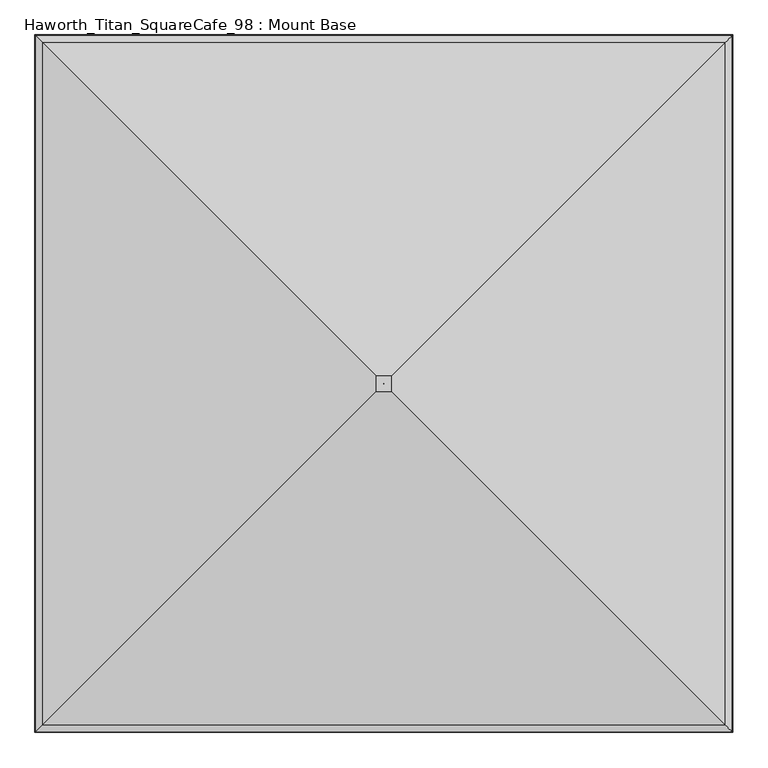
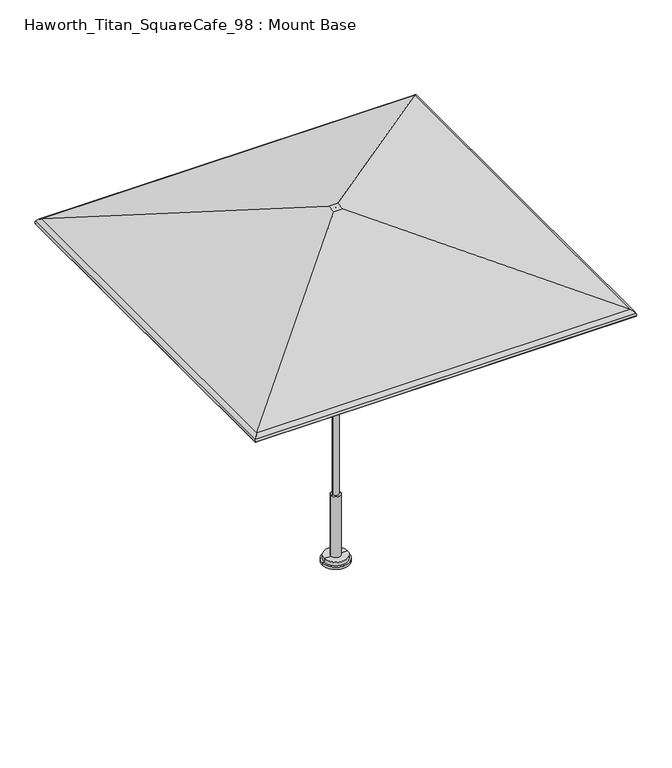
"""IFC4 building model written with IfcOpenShell, lengths in millimetres: furniture geometry, Haworth_Titan_SquareCafe_98 : Mount Base."""

from ifc_helpers import new_model, si_unit, frame, origin, place, context, project, spatial, polyline, circle_curve, ellipse_curve, source, transform, mapped, element, save
from ifc_brep_helpers import plane_surface, cylinder_surface, revolved_surface, advanced_brep


def haworth_titan_squarecafe_98_mount_base_bec93629(model_context):
    return source(origin(), model_context, "Body", "AdvancedBrep", [
        advanced_brep(
        [(1223.4008004, -1227.8003535, 2056.1384861), (29.1271987, -33.5267518, 2448.9851097), (-29.1271987, -33.5267518, 2448.9851097), (-1223.4008004, -1227.8003535, 2056.1384861), (1247.9240129, -1252.323566, 2036.3991387), (-1247.9240129, -1252.323566, 2036.3991387), (1250.4423911, -1254.8419442, 2016.9581742), (-1250.4423911, -1254.8419442, 2016.9581742), (1246.050839, -1250.4503921, 2018.201129), (-1246.050839, -1250.4503921, 2018.201129), (1243.9941233, -1248.3936765, 2034.0782262), (-1243.9941233, -1248.3936765, 2034.0782262), (1221.9738888, -1226.3734419, 2051.8032133), (-1221.9738888, -1226.3734419, 2051.8032133), (28.3958193, -32.7953724, 2444.4210472), (-28.3958193, -32.7953724, 2444.4210472), (0.1068966, -4.5064497, 2448.9851097), (0.1068966, -4.5064497, 2444.4210472), (-0.1068966, -4.5064497, 2444.4210472), (-0.1068966, -4.5064497, 2448.9851097), (-29.1271987, 25.4668702, 2448.9851097), (-1223.4008004, 1219.740472, 2056.1384861), (-1247.9240129, 1244.2636844, 2036.3991387), (-1250.4423911, 1246.7820627, 2016.9581742), (-1246.050839, 1242.3905106, 2018.201129), (-1243.9941233, 1240.3337949, 2034.0782262), (-1221.9738888, 1218.3135603, 2051.8032133), (-28.3958193, 24.7354908, 2444.4210472), (-0.1068966, -3.5534318, 2444.4210472), (-0.1068966, -3.5534318, 2448.9851097), (29.1271987, 25.4668702, 2448.9851097), (1223.4008004, 1219.740472, 2056.1384861), (1247.9240129, 1244.2636844, 2036.3991387), (1250.4423911, 1246.7820627, 2016.9581742), (1246.050839, 1242.3905106, 2018.201129), (1243.9941233, 1240.3337949, 2034.0782262), (1221.9738888, 1218.3135603, 2051.8032133), (28.3958193, 24.7354908, 2444.4210472), (0.1068966, -3.5534318, 2444.4210472), (0.1068966, -3.5534318, 2448.9851097)],
        [
            (0, 1),
            (1, 2),
            (2, 3),
            (3, 0),
            (4, 0, ellipse_curve(frame((1209.4091708, -1213.8087239, 2013.6530594), z_axis=(-0.707106781186547, -0.7071067811865481, 0.0), x_axis=(0.707106781186548, -0.7071067811865471, 0.0)), 63.2578403, 44.7300479)),
            (3, 5, ellipse_curve(frame((-1209.4091708, -1213.8087239, 2013.6530594), z_axis=(0.7071067811865491, -0.7071067811865459, 0.0), x_axis=(0.7071067811865458, 0.7071067811865491, 0.0)), 63.2578403, 44.7300479)),
            (5, 4),
            (6, 4, ellipse_curve(frame((1226.48639, -1230.8859431, 2023.7385164), z_axis=(-0.707106781186547, -0.7071067811865481, 0.0), x_axis=(0.707106781186548, -0.7071067811865471, 0.0)), 35.2097438, 24.8970486)),
            (5, 7, ellipse_curve(frame((-1226.48639, -1230.8859431, 2023.7385164), z_axis=(0.7071067811865491, -0.7071067811865459, 0.0), x_axis=(0.7071067811865458, 0.7071067811865491, 0.0)), 35.2097438, 24.8970486)),
            (7, 6),
            (8, 6, ellipse_curve(frame((1248.2466151, -1252.6461682, 2017.5796516), z_axis=(-0.707106781186547, -0.7071067811865481, 0.0), x_axis=(0.707106781186548, -0.7071067811865471, 0.0)), 3.2272795, 2.2820312)),
            (7, 9, ellipse_curve(frame((-1248.2466151, -1252.6461682, 2017.5796516), z_axis=(0.7071067811865491, -0.7071067811865459, 0.0), x_axis=(0.7071067811865458, 0.7071067811865491, 0.0)), 3.2272795, 2.2820312)),
            (9, 8),
            (10, 8, ellipse_curve(frame((1226.48639, -1230.8859431, 2023.7385164), z_axis=(0.707106781186547, 0.7071067811865481, 0.0), x_axis=(-0.707106781186548, 0.7071067811865471, 0.0)), 28.7551847, 20.3329861)),
            (9, 11, ellipse_curve(frame((-1226.48639, -1230.8859431, 2023.7385164), z_axis=(-0.7071067811865491, 0.7071067811865459, 0.0), x_axis=(-0.7071067811865458, -0.7071067811865491, 0.0)), 28.7551847, 20.3329861)),
            (11, 10),
            (12, 10, ellipse_curve(frame((1209.4091708, -1213.8087239, 2013.6530594), z_axis=(0.707106781186547, 0.7071067811865481, 0.0), x_axis=(-0.707106781186548, 0.7071067811865471, 0.0)), 56.8032813, 40.1659854)),
            (11, 13, ellipse_curve(frame((-1209.4091708, -1213.8087239, 2013.6530594), z_axis=(-0.7071067811865491, 0.7071067811865459, 0.0), x_axis=(-0.7071067811865458, -0.7071067811865491, 0.0)), 56.8032813, 40.1659854)),
            (13, 12),
            (14, 12),
            (13, 15),
            (15, 14),
            (16, 17),
            (17, 18),
            (18, 19),
            (19, 16),
            (2, 20),
            (20, 21),
            (21, 3),
            (21, 22, ellipse_curve(frame((-1209.4091708, 1205.7488423, 2013.6530594), z_axis=(-0.7071067811865482, -0.7071067811865469, 0.0), x_axis=(0.707106781186547, -0.707106781186548, 0.0)), 63.2578403, 44.7300479)),
            (22, 5),
            (22, 23, ellipse_curve(frame((-1226.48639, 1222.8260616, 2023.7385164), z_axis=(-0.7071067811865482, -0.7071067811865469, 0.0), x_axis=(0.707106781186547, -0.707106781186548, 0.0)), 35.2097438, 24.8970486)),
            (23, 7),
            (23, 24, ellipse_curve(frame((-1248.2466151, 1244.5862866, 2017.5796516), z_axis=(-0.7071067811865482, -0.7071067811865469, 0.0), x_axis=(0.707106781186547, -0.707106781186548, 0.0)), 3.2272795, 2.2820312)),
            (24, 9),
            (24, 25, ellipse_curve(frame((-1226.48639, 1222.8260616, 2023.7385164), z_axis=(0.7071067811865482, 0.7071067811865469, 0.0), x_axis=(-0.707106781186547, 0.707106781186548, 0.0)), 28.7551847, 20.3329861)),
            (25, 11),
            (25, 26, ellipse_curve(frame((-1209.4091708, 1205.7488423, 2013.6530594), z_axis=(0.7071067811865482, 0.7071067811865469, 0.0), x_axis=(-0.707106781186547, 0.707106781186548, 0.0)), 56.8032813, 40.1659854)),
            (26, 13),
            (26, 27),
            (27, 15),
            (18, 28),
            (28, 29),
            (29, 19),
            (20, 30),
            (30, 31),
            (31, 21),
            (31, 32, ellipse_curve(frame((1209.4091708, 1205.7488423, 2013.6530594), z_axis=(-0.7071067811865458, 0.7071067811865492, 0.0), x_axis=(-0.7071067811865492, -0.7071067811865458, 0.0)), 63.2578403, 44.7300479)),
            (32, 22),
            (32, 33, ellipse_curve(frame((1226.48639, 1222.8260616, 2023.7385164), z_axis=(-0.7071067811865458, 0.7071067811865492, 0.0), x_axis=(-0.7071067811865492, -0.7071067811865458, 0.0)), 35.2097438, 24.8970486)),
            (33, 23),
            (33, 34, ellipse_curve(frame((1248.2466151, 1244.5862866, 2017.5796516), z_axis=(-0.7071067811865458, 0.7071067811865492, 0.0), x_axis=(-0.7071067811865492, -0.7071067811865458, 0.0)), 3.2272795, 2.2820312)),
            (34, 24),
            (34, 35, ellipse_curve(frame((1226.48639, 1222.8260616, 2023.7385164), z_axis=(0.7071067811865458, -0.7071067811865492, 0.0), x_axis=(0.7071067811865492, 0.7071067811865458, 0.0)), 28.7551847, 20.3329861)),
            (35, 25),
            (35, 36, ellipse_curve(frame((1209.4091708, 1205.7488423, 2013.6530594), z_axis=(0.7071067811865458, -0.7071067811865492, 0.0), x_axis=(0.7071067811865492, 0.7071067811865458, 0.0)), 56.8032813, 40.1659854)),
            (36, 26),
            (36, 37),
            (37, 27),
            (28, 38),
            (38, 39),
            (39, 29),
            (30, 1),
            (0, 31),
            (4, 32),
            (6, 33),
            (8, 34),
            (10, 35),
            (12, 36),
            (14, 37),
            (17, 38),
            (16, 39),
        ],
        [
            plane_surface(frame((29.1271987, -33.5267518, 2448.9851097), z_axis=(0.0, -0.3124708984398308, 0.9499273328145712), x_axis=(-1.0, 0.0, 0.0))),
            cylinder_surface(frame((1267.8016718, -1213.8087239, 2013.6530594), z_axis=(1.0, 0.0, 0.0), x_axis=(0.0, -1.0, 0.0)), 44.7300479),
            cylinder_surface(frame((1267.8016718, -1230.8859431, 2023.7385164), z_axis=(1.0, 0.0, 0.0), x_axis=(0.0, -1.0, 0.0)), 24.8970486),
            cylinder_surface(frame((1267.8016718, -1252.6461682, 2017.5796516), z_axis=(1.0, 0.0, 0.0), x_axis=(0.0, -1.0, 0.0)), 2.2820312),
            revolved_surface(polyline([(-1246.8193760956415, -1251.2189292, 2023.7385164), (1246.8193760956417, -1251.2189292, 2023.7385164)]), (1267.8016718, -1230.8859431, 2023.7385164), (-1.0, 0.0, 0.0)),
            revolved_surface(polyline([(-1249.5751562008768, -1253.9747092999999, 2013.6530594), (1249.575156200877, -1253.9747092999999, 2013.6530594)]), (1267.8016718, -1213.8087239, 2013.6530594), (-1.0, 0.0, 0.0)),
            plane_surface(frame((1221.9738888, -1226.3734419, 2051.8032133), z_axis=(0.0, 0.3124708984398308, -0.9499273328145712), x_axis=(-1.0, 0.0, 0.0))),
            plane_surface(frame((0.1068966, -4.5064497, 2444.4210472), z_axis=(-1.2662550629033169e-12, 1.0, 0.0), x_axis=(-1.0, -1.2662550629033169e-12, 0.0))),
            plane_surface(frame((-29.1271987, -33.5267518, 2448.9851097), z_axis=(-0.3124708984398277, 0.0, 0.9499273328145722), x_axis=(0.0, 1.0, 0.0))),
            cylinder_surface(frame((-1209.4091708, -1272.2012249, 2013.6530594), z_axis=(0.0, -1.0, 0.0), x_axis=(-1.0, 0.0, 0.0)), 44.7300479),
            cylinder_surface(frame((-1226.48639, -1272.2012249, 2023.7385164), z_axis=(0.0, -1.0, 0.0), x_axis=(-1.0, 0.0, 0.0)), 24.8970486),
            cylinder_surface(frame((-1248.2466151, -1272.2012249, 2017.5796516), z_axis=(0.0, -1.0, 0.0), x_axis=(-1.0, 0.0, 0.0)), 2.2820312),
            revolved_surface(polyline([(-1246.8193761, 1243.1590476956417, 2023.7385164), (-1246.8193761, -1251.2189291956417, 2023.7385164)]), (-1226.48639, -1272.2012249, 2023.7385164), (0.0, 1.0, 0.0)),
            revolved_surface(polyline([(-1249.5751562, 1245.9148277008771, 2013.6530594), (-1249.5751562, -1253.974709300877, 2013.6530594)]), (-1209.4091708, -1272.2012249, 2013.6530594), (0.0, 1.0, 0.0)),
            plane_surface(frame((-1221.9738888, -1226.3734419, 2051.8032133), z_axis=(0.3124708984398277, 0.0, -0.9499273328145722), x_axis=(0.0, 1.0, 0.0))),
            plane_surface(frame((-0.1068966, -4.5064497, 2444.4210472), z_axis=(1.0, 0.0, 0.0), x_axis=(0.0, 1.0, 0.0))),
            plane_surface(frame((-29.1271987, 25.4668702, 2448.9851097), z_axis=(0.0, 0.31247089843983084, 0.9499273328145712), x_axis=(1.0, 0.0, 0.0))),
            cylinder_surface(frame((-1267.8016718, 1205.7488423, 2013.6530594), z_axis=(-1.0, 0.0, 0.0), x_axis=(0.0, 1.0, 0.0)), 44.7300479),
            cylinder_surface(frame((-1267.8016718, 1222.8260616, 2023.7385164), z_axis=(-1.0, 0.0, 0.0), x_axis=(0.0, 1.0, 0.0)), 24.8970486),
            cylinder_surface(frame((-1267.8016718, 1244.5862866, 2017.5796516), z_axis=(-1.0, 0.0, 0.0), x_axis=(0.0, 1.0, 0.0)), 2.2820312),
            revolved_surface(polyline([(1246.819376095642, 1243.1590477, 2023.7385164), (-1246.8193760956417, 1243.1590477, 2023.7385164)]), (-1267.8016718, 1222.8260616, 2023.7385164), (1.0, 0.0, 0.0)),
            revolved_surface(polyline([(1249.5751562008772, 1245.9148277, 2013.6530594), (-1249.575156200877, 1245.9148277, 2013.6530594)]), (-1267.8016718, 1205.7488423, 2013.6530594), (1.0, 0.0, 0.0)),
            plane_surface(frame((-1221.9738888, 1218.3135603, 2051.8032133), z_axis=(0.0, -0.31247089843983084, -0.9499273328145712), x_axis=(1.0, 0.0, 0.0))),
            plane_surface(frame((-0.1068966, -3.5534318, 2444.4210472), z_axis=(-1.2662550628904897e-12, -1.0, 0.0), x_axis=(1.0, -1.2662550628904897e-12, 0.0))),
            plane_surface(frame((29.1271987, 25.4668702, 2448.9851097), z_axis=(0.312470898439834, 0.0, 0.9499273328145701), x_axis=(0.0, -1.0, 0.0))),
            cylinder_surface(frame((1209.4091708, 1264.1413433, 2013.6530594), z_axis=(0.0, 1.0, 0.0), x_axis=(1.0, 0.0, 0.0)), 44.7300479),
            cylinder_surface(frame((1226.48639, 1264.1413433, 2023.7385164), z_axis=(0.0, 1.0, 0.0), x_axis=(1.0, 0.0, 0.0)), 24.8970486),
            cylinder_surface(frame((1248.2466151, 1264.1413433, 2017.5796516), z_axis=(0.0, 1.0, 0.0), x_axis=(1.0, 0.0, 0.0)), 2.2820312),
            revolved_surface(polyline([(1246.8193761, -1251.2189291956413, 2023.7385164), (1246.8193761, 1243.1590476956417, 2023.7385164)]), (1226.48639, 1264.1413433, 2023.7385164), (0.0, -1.0, 0.0)),
            revolved_surface(polyline([(1249.5751562, -1253.974709300877, 2013.6530594), (1249.5751562, 1245.914827700877, 2013.6530594)]), (1209.4091708, 1264.1413433, 2013.6530594), (0.0, -1.0, 0.0)),
            plane_surface(frame((1221.9738888, 1218.3135603, 2051.8032133), z_axis=(-0.312470898439834, 0.0, -0.9499273328145701), x_axis=(0.0, -1.0, 0.0))),
            plane_surface(frame((28.3958193, 24.7354908, 2444.4210472), z_axis=(0.0, 0.0, -1.0), x_axis=(0.0, -1.0, 0.0))),
            plane_surface(frame((0.1068966, -3.5534318, 2444.4210472), z_axis=(-1.0, 0.0, 0.0), x_axis=(0.0, -1.0, 0.0))),
            plane_surface(frame((0.1068966, -3.5534318, 2448.9851097), z_axis=(0.0, 0.0, 1.0), x_axis=(0.0, -1.0, 0.0))),
        ],
        [
            (0, [[1, 2, 3, 4]]),
            (1, [[5, -4, 6, 7]]),
            (2, [[8, -7, 9, 10]]),
            (3, [[11, -10, 12, 13]]),
            (4, [[14, -13, 15, 16]]),
            (5, [[17, -16, 18, 19]]),
            (6, [[20, -19, 21, 22]]),
            (7, [[23, 24, 25, 26]]),
            (8, [[-3, 27, 28, 29]]),
            (9, [[-6, -29, 30, 31]]),
            (10, [[-9, -31, 32, 33]]),
            (11, [[-12, -33, 34, 35]]),
            (12, [[-15, -35, 36, 37]]),
            (13, [[-18, -37, 38, 39]]),
            (14, [[-21, -39, 40, 41]]),
            (15, [[-25, 42, 43, 44]]),
            (16, [[-28, 45, 46, 47]]),
            (17, [[-30, -47, 48, 49]]),
            (18, [[-32, -49, 50, 51]]),
            (19, [[-34, -51, 52, 53]]),
            (20, [[-36, -53, 54, 55]]),
            (21, [[-38, -55, 56, 57]]),
            (22, [[-40, -57, 58, 59]]),
            (23, [[-43, 60, 61, 62]]),
            (24, [[-46, 63, -1, 64]]),
            (25, [[-48, -64, -5, 65]]),
            (26, [[-50, -65, -8, 66]]),
            (27, [[-52, -66, -11, 67]]),
            (28, [[-54, -67, -14, 68]]),
            (29, [[-56, -68, -17, 69]]),
            (30, [[-58, -69, -20, 70]]),
            (31, [[-41, -59, -70, -22], [71, -60, -42, -24]]),
            (32, [[-61, -71, -23, 72]]),
            (33, [[-63, -45, -27, -2], [-44, -62, -72, -26]]),
        ],
    ),
        advanced_brep(
        [(-88.9, -4.0299408, 15.8750008), (88.9, -4.0299408, 15.8750008), (88.9, -4.0299408, 0.0), (-88.9, -4.0299408, 0.0), (-76.2, -4.0299408, 15.8750008), (76.2, -4.0299408, 15.8750008), (-76.2, -4.0299408, 41.2750008), (76.2, -4.0299408, 41.2750008), (0.0, -4.0299408, 41.2750008), (0.0, -4.0299408, 0.0)],
        [
            (0, 1, circle_curve(frame((0.0, -4.0299408, 15.8750008), z_axis=(0.0, 0.0, -1.0), x_axis=(1.0, 0.0, 0.0)), 88.9)),
            (1, 2),
            (2, 3, circle_curve(frame((0.0, -4.0299408, 0.0), z_axis=(0.0, 0.0, 1.0), x_axis=(1.0, 0.0, 0.0)), 88.9)),
            (3, 0),
            (1, 0, circle_curve(frame((0.0, -4.0299408, 15.8750008), z_axis=(0.0, 0.0, -1.0), x_axis=(1.0, 0.0, 0.0)), 88.9)),
            (3, 2, circle_curve(frame((0.0, -4.0299408, 0.0), z_axis=(0.0, 0.0, 1.0), x_axis=(1.0, 0.0, 0.0)), 88.9)),
            (4, 5, circle_curve(frame((0.0, -4.0299408, 15.8750008), z_axis=(0.0, 0.0, -1.0), x_axis=(1.0, 0.0, 0.0)), 76.2)),
            (5, 1),
            (0, 4),
            (5, 4, circle_curve(frame((0.0, -4.0299408, 15.8750008), z_axis=(0.0, 0.0, -1.0), x_axis=(1.0, 0.0, 0.0)), 76.2)),
            (6, 7, circle_curve(frame((0.0, -4.0299408, 41.2750008), z_axis=(0.0, 0.0, -1.0), x_axis=(1.0, 0.0, 0.0)), 76.2)),
            (7, 5),
            (4, 6),
            (7, 6, circle_curve(frame((0.0, -4.0299408, 41.2750008), z_axis=(0.0, 0.0, -1.0), x_axis=(1.0, 0.0, 0.0)), 76.2)),
            (8, 7),
            (6, 8),
            (2, 9),
            (9, 3),
        ],
        [
            cylinder_surface(frame((0.0, -4.0299408, 161.9250008), z_axis=(0.0, 0.0, 1.0), x_axis=(1.0, 0.0, 0.0)), 88.9),
            plane_surface(frame((0.0, -4.0299408, 15.8750008), z_axis=(0.0, 0.0, 1.0), x_axis=(1.0, 0.0, 0.0))),
            cylinder_surface(frame((0.0, -4.0299408, 161.9250008), z_axis=(0.0, 0.0, 1.0), x_axis=(1.0, 0.0, 0.0)), 76.2),
            plane_surface(frame((0.0, -4.0299408, 41.2750008), z_axis=(0.0, 0.0, 1.0), x_axis=(1.0, 0.0, 0.0))),
            plane_surface(frame((0.0, -4.0299408, 0.0), z_axis=(0.0, 0.0, -1.0), x_axis=(1.0, 0.0, 0.0))),
        ],
        [
            (0, [[1, 2, 3, 4]]),
            (0, [[5, -4, 6, -2]]),
            (1, [[7, 8, -1, 9]]),
            (1, [[10, -9, -5, -8]]),
            (2, [[11, 12, -7, 13]]),
            (2, [[14, -13, -10, -12]]),
            (3, [[15, -11, 16]]),
            (3, [[-16, -14, -15]]),
            (4, [[-3, 17, 18]]),
            (4, [[-6, -18, -17]]),
        ],
    ),
        advanced_brep(
        [(-19.05, -4.0299408, 463.5500121), (19.05, -4.0299408, 463.5500121), (31.7499992, -4.0299408, 463.5500121), (-31.7499992, -4.0299408, 463.5500121), (-19.05, -4.0299408, 1873.1507813), (19.05, -4.0299408, 1873.1507813), (0.0, -4.0299408, 1873.1507813), (-31.7499992, -4.0299408, 25.4), (31.7499992, -4.0299408, 25.4), (0.0, -4.0299408, 25.4)],
        [
            (0, 1, circle_curve(frame((0.0, -4.0299408, 463.5500121), z_axis=(0.0, 0.0, -1.0), x_axis=(1.0, 0.0, 0.0)), 19.05)),
            (1, 2),
            (2, 3, circle_curve(frame((0.0, -4.0299408, 463.5500121), z_axis=(0.0, 0.0, 1.0), x_axis=(1.0, 0.0, 0.0)), 31.7499992)),
            (3, 0),
            (1, 0, circle_curve(frame((0.0, -4.0299408, 463.5500121), z_axis=(0.0, 0.0, -1.0), x_axis=(1.0, 0.0, 0.0)), 19.05)),
            (3, 2, circle_curve(frame((0.0, -4.0299408, 463.5500121), z_axis=(0.0, 0.0, 1.0), x_axis=(1.0, 0.0, 0.0)), 31.7499992)),
            (4, 5, circle_curve(frame((0.0, -4.0299408, 1873.1507813), z_axis=(0.0, 0.0, -1.0), x_axis=(1.0, 0.0, 0.0)), 19.05)),
            (5, 1),
            (0, 4),
            (5, 4, circle_curve(frame((0.0, -4.0299408, 1873.1507813), z_axis=(0.0, 0.0, -1.0), x_axis=(1.0, 0.0, 0.0)), 19.05)),
            (6, 5),
            (4, 6),
            (7, 8, circle_curve(frame((0.0, -4.0299408, 25.4), z_axis=(0.0, 0.0, -1.0), x_axis=(1.0, 0.0, 0.0)), 31.7499992)),
            (8, 9),
            (9, 7),
            (8, 7, circle_curve(frame((0.0, -4.0299408, 25.4), z_axis=(0.0, 0.0, -1.0), x_axis=(1.0, 0.0, 0.0)), 31.7499992)),
            (2, 8),
            (7, 3),
        ],
        [
            plane_surface(frame((0.0, -4.0299408, 463.5500121), z_axis=(0.0, 0.0, 1.0), x_axis=(1.0, 0.0, 0.0))),
            cylinder_surface(frame((0.0, -4.0299408, 2736.7507813), z_axis=(0.0, 0.0, 1.0), x_axis=(1.0, 0.0, 0.0)), 19.05),
            plane_surface(frame((0.0, -4.0299408, 1873.1507813), z_axis=(0.0, 0.0, 1.0), x_axis=(1.0, 0.0, 0.0))),
            plane_surface(frame((0.0, -4.0299408, 25.4), z_axis=(0.0, 0.0, -1.0), x_axis=(1.0, 0.0, 0.0))),
            cylinder_surface(frame((0.0, -4.0299408, 2736.7507813), z_axis=(0.0, 0.0, 1.0), x_axis=(1.0, 0.0, 0.0)), 31.7499992),
        ],
        [
            (0, [[1, 2, 3, 4]]),
            (0, [[5, -4, 6, -2]]),
            (1, [[7, 8, -1, 9]]),
            (1, [[10, -9, -5, -8]]),
            (2, [[11, -7, 12]]),
            (2, [[-12, -10, -11]]),
            (3, [[13, 14, 15]]),
            (3, [[16, -15, -14]]),
            (4, [[-3, 17, -13, 18]]),
            (4, [[-6, -18, -16, -17]]),
        ],
    ),
    ])


if __name__ == "__main__":
    model = new_model("IFC4")
    model_context = context("Model", 3, world=origin())
    ifc_project = project(units=[si_unit("LENGTHUNIT", "METRE", prefix="MILLI")], contexts=[model_context])
    site = spatial("IfcSite", under=ifc_project)
    building = spatial("IfcBuilding", under=site)
    placement = place(None, origin())
    haworth_titan_squarecafe_98_mount_base_shape = haworth_titan_squarecafe_98_mount_base_bec93629(model_context)
    element("IfcFurniture", 1, ObjectType="Haworth_Titan_SquareCafe_98 : Mount Base", at=placement, inside=building, context=model_context, shape_type="MappedRepresentation", body=[
        mapped(haworth_titan_squarecafe_98_mount_base_shape, transform((0.0, 0.0, 0.0), x_axis=(1.0, 0.0, 0.0), y_axis=(0.0, 1.0, 0.0), z_axis=(0.0, 0.0, 1.0))),
    ])
    save(model, "model.ifc")
